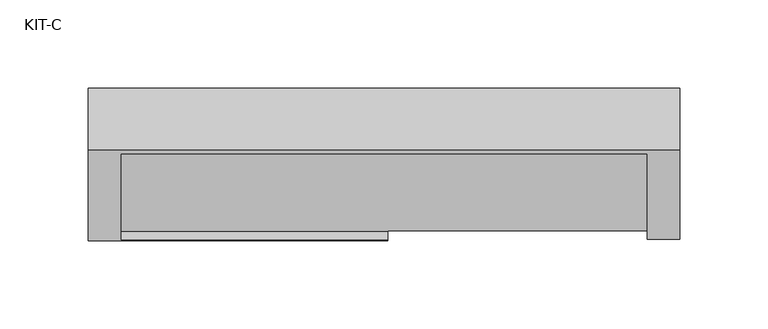
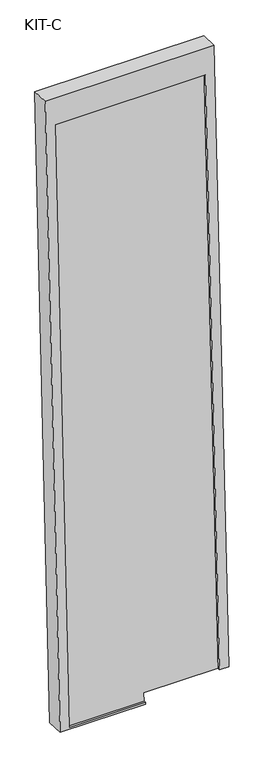
"""IFC4 building model written with IfcOpenShell, lengths in millimetres: plate geometry, KIT-C."""

from ifc_helpers import new_model, si_unit, frame, origin, place, context, project, spatial, polyline, outline, extrude, source, transform, mapped, element, save


def kit_c_e4a45149(model_context):
    return source(origin(), model_context, "Body", "SweptSolid", [
        extrude(outline(polyline([(0.0, 0.0), (0.0, -299.0), (-1220.0, -299.0), (-1220.0, -151.5), (-1236.531593, -151.5), (-1236.531593, 0.0), (0.0, 0.0)])), frame((-149.5, 7.6386598, 1185.0003484), z_axis=(0.0, -0.9992101801000246, 0.039736834102334216), x_axis=(0.0, 0.039736834102334216, 0.9992101801000246)), (0.0, 0.0, 1.0), 27.4505712),
        extrude(outline(polyline([(0.0, 0.0), (0.0, -336.0), (-1275.0000001, -336.0), (-1275.0000001, -317.5), (-55.0, -317.5), (-55.0, -18.5), (-1291.531593, -18.5), (-1291.531593, -170.0), (-1295.0000001, -170.0), (-1295.0000001, 0.0), (0.0, 0.0)])), frame((-168.0, 12.3716008, 1239.8556021), z_axis=(0.0, -0.9992101801000247, 0.03973683410233422), x_axis=(0.0, 0.03973683410233422, 0.9992101801000247)), (0.0, 0.0, 1.0), 35.0),
    ])


if __name__ == "__main__":
    model = new_model("IFC4")
    model_context = context("Model", 3, world=origin())
    ifc_project = project(units=[si_unit("LENGTHUNIT", "METRE", prefix="MILLI")], contexts=[model_context])
    site = spatial("IfcSite", under=ifc_project)
    building = spatial("IfcBuilding", under=site)
    placement = place(None, origin())
    kit_c_shape = kit_c_e4a45149(model_context)
    element("IfcPlate", 1, ObjectType="KIT-C", at=placement, inside=building, context=model_context, shape_type="MappedRepresentation", body=[
        mapped(kit_c_shape, transform((0.0, 0.0, 0.0), x_axis=(1.0, 0.0, 0.0), y_axis=(0.0, 1.0, 0.0), z_axis=(0.0, 0.0, 1.0))),
    ])
    save(model, "model.ifc")
